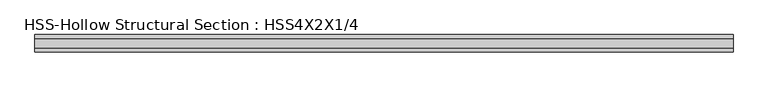
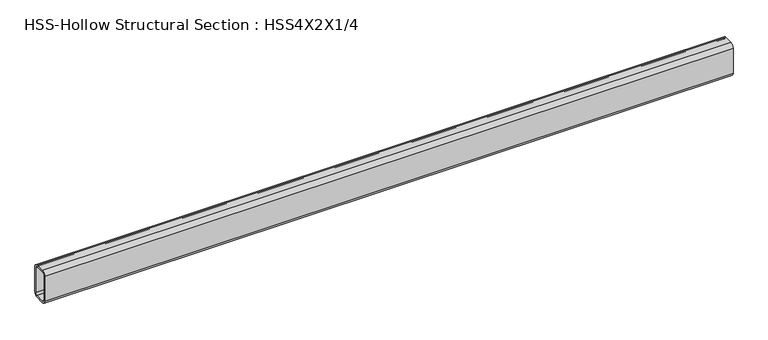
"""IFC4 building model written with IfcOpenShell, lengths in millimetres: beam geometry, HSS-Hollow Structural Section : HSS4X2X1/4."""

import ifcopenshell
import ifcopenshell.guid

model = None  # the IFC model being written
_history = None  # IfcOwnerHistory: only IFC2X3 demands one
_inside = {}  # id of a spatial element -> (the spatial element, [elements in it])
_under = {}  # id of a project, library or spatial element -> (it, [spatial elements below it])
_declared = {}  # id of a project -> (the project, [libraries it declares])
_typed = {}  # id of a type object -> (the type object, [elements of that type])
_made_of = {}  # id of a material, layer set ... -> (it, [elements and type objects made of it])


def new_model(schema):
    """Start an empty IFC model of exactly this schema.

    Asked for "IFC4X3", IfcOpenShell would pick the latest addendum, in which some entities
    have other attributes; the version numbers below select the first issue.
    IFC2X3 requires an IfcOwnerHistory on every rooted entity: one is made here for all.
    """
    global model, _history
    if schema == "IFC4X3":
        model = ifcopenshell.file(schema_version=(4, 3, 0, 0))
    else:
        model = ifcopenshell.file(schema=schema)
    _inside.clear()
    _under.clear()
    _declared.clear()
    _typed.clear()
    _made_of.clear()
    _history = None
    if model.schema == "IFC2X3":
        org = make("IfcOrganization", Name="unknown")
        user = make(
            "IfcPersonAndOrganization",
            ThePerson=make("IfcPerson", FamilyName="unknown"),
            TheOrganization=org,
        )
        app = make(
            "IfcApplication",
            ApplicationDeveloper=org,
            Version="unknown",
            ApplicationFullName="unknown",
            ApplicationIdentifier="unknown",
        )
        _history = make(
            "IfcOwnerHistory",
            OwningUser=user,
            OwningApplication=app,
            ChangeAction="ADDED",
            CreationDate=0,
        )
    return model


def make(cls, **values):
    """One entity of the class cls with the attributes given. An attribute that is None is left unset."""
    return model.create_entity(
        cls, **{name: value for name, value in values.items() if value is not None}
    )


def rooted(cls, **values):
    """An entity with a GlobalId (a new one), such as an element, a storey or a relation."""
    return make(cls, GlobalId=ifcopenshell.guid.new(), OwnerHistory=_history, **values)


def si_unit(unit_type, name, prefix=None):
    """IfcSIUnit, for example si_unit("LENGTHUNIT", "METRE", prefix="MILLI")."""
    return make("IfcSIUnit", UnitType=unit_type, Prefix=prefix, Name=name)


def assignment(units):
    """IfcUnitAssignment: the units of a project."""
    return None if units is None else make("IfcUnitAssignment", Units=units)


def point(xyz):
    """IfcCartesianPoint."""
    return None if xyz is None else make("IfcCartesianPoint", Coordinates=xyz)


def direction(xyz):
    """IfcDirection."""
    return None if xyz is None else make("IfcDirection", DirectionRatios=xyz)


def frame(location, z_axis=None, x_axis=None):
    """IfcAxis2Placement3D, a coordinate frame: its origin and axes. An axis left out is left unset."""
    return make(
        "IfcAxis2Placement3D",
        Location=point(location),
        Axis=direction(z_axis),
        RefDirection=direction(x_axis),
    )


def frame_2d(location, x_axis=None):
    """IfcAxis2Placement2D, a coordinate frame in the plane: its origin and x axis."""
    return make(
        "IfcAxis2Placement2D", Location=point(location), RefDirection=direction(x_axis)
    )


def origin():
    """The frame at (0, 0, 0) with its axes left unset."""
    return frame((0.0, 0.0, 0.0))


def place(relative_to, where):
    """IfcLocalPlacement: puts the frame where relative to a parent placement (None: the world)."""
    return make(
        "IfcLocalPlacement", PlacementRelTo=relative_to, RelativePlacement=where
    )


def context(
    kind, dimensions, precision=None, world=None, true_north=None, identifier=None
):
    """IfcGeometricRepresentationContext, for example the 3D "Model" context."""
    return make(
        "IfcGeometricRepresentationContext",
        ContextIdentifier=identifier,
        ContextType=kind,
        CoordinateSpaceDimension=dimensions,
        Precision=precision,
        WorldCoordinateSystem=world,
        TrueNorth=true_north,
    )


def project(units=None, contexts=None):
    """IfcProject with its units and contexts."""
    return rooted(
        "IfcProject",
        Name="project",
        RepresentationContexts=contexts,
        UnitsInContext=assignment(units),
    )


def spatial(cls, under=None, at=None, **own):
    """A site, building, storey or space (cls), placed at a placement, below another one or the project."""
    s = rooted(cls, ObjectPlacement=at, **own)
    if under is not None:
        _under.setdefault(under.id(), (under, []))[1].append(s)
    return s


def polyline(points):
    """IfcPolyline through the points."""
    return make("IfcPolyline", Points=[point(p) for p in points])


def circle_curve(where, radius):
    """IfcCircle in the frame where."""
    return make("IfcCircle", Position=where, Radius=radius)


def trimmed(basis, trim1, trim2, sense, master):
    """IfcTrimmedCurve: the piece of a basis curve between two trims."""
    return make(
        "IfcTrimmedCurve",
        BasisCurve=basis,
        Trim1=trim1,
        Trim2=trim2,
        SenseAgreement=sense,
        MasterRepresentation=master,
    )


def segment(curve, same_sense, transition):
    """IfcCompositeCurveSegment."""
    return make(
        "IfcCompositeCurveSegment",
        Transition=transition,
        SameSense=same_sense,
        ParentCurve=curve,
    )


def composite_curve(segments, self_intersect=None):
    """IfcCompositeCurve: segments joined end to end."""
    return make("IfcCompositeCurve", Segments=segments, SelfIntersect=self_intersect)


def outline(outer, holes=None, kind="AREA"):
    """IfcArbitraryClosedProfileDef: a profile drawn as a closed curve; with holes, ...WithVoids."""
    if holes is None:
        return make("IfcArbitraryClosedProfileDef", ProfileType=kind, OuterCurve=outer)
    return make(
        "IfcArbitraryProfileDefWithVoids",
        ProfileType=kind,
        OuterCurve=outer,
        InnerCurves=holes,
    )


def extrude(swept, where, along, depth):
    """IfcExtrudedAreaSolid: the profile swept, set in the frame where, extruded along a direction by depth."""
    return make(
        "IfcExtrudedAreaSolid",
        SweptArea=swept,
        Position=where,
        ExtrudedDirection=direction(along),
        Depth=depth,
    )


def shape(context_of_items, identifier, shape_type, items):
    """IfcShapeRepresentation: the items that make up one representation, for example the "Body"."""
    return make(
        "IfcShapeRepresentation",
        ContextOfItems=context_of_items,
        RepresentationIdentifier=identifier,
        RepresentationType=shape_type,
        Items=items,
    )


def source(mapping_origin, context_of_items, identifier, shape_type, items):
    """IfcRepresentationMap: a shape defined once, which mapped items show again and again."""
    return make(
        "IfcRepresentationMap",
        MappingOrigin=mapping_origin,
        MappedRepresentation=shape(context_of_items, identifier, shape_type, items),
    )


def transform(
    local_origin,
    x_axis=None,
    y_axis=None,
    z_axis=None,
    scale=None,
    scale2=None,
    scale3=None,
    uniform=True,
):
    """IfcCartesianTransformationOperator3D, or its non-uniform kind. x_axis, y_axis, z_axis: its Axis1, 2, 3."""
    if uniform:
        return make(
            "IfcCartesianTransformationOperator3D",
            Axis1=direction(x_axis),
            Axis2=direction(y_axis),
            LocalOrigin=point(local_origin),
            Scale=scale,
            Axis3=direction(z_axis),
        )
    return make(
        "IfcCartesianTransformationOperator3DnonUniform",
        Axis1=direction(x_axis),
        Axis2=direction(y_axis),
        LocalOrigin=point(local_origin),
        Scale=scale,
        Axis3=direction(z_axis),
        Scale2=scale2,
        Scale3=scale3,
    )


def mapped(mapping_source, mapping_target):
    """IfcMappedItem: shows the shape of a source again, moved by a transform."""
    return make(
        "IfcMappedItem", MappingSource=mapping_source, MappingTarget=mapping_target
    )


def made_of(thing, what):
    """Note that an element or type object is made of a material, layer set ...; save() writes the relation."""
    if what is not None:
        _made_of.setdefault(what.id(), (what, []))[1].append(thing)
    return thing


def element(
    cls,
    number,
    at=None,
    inside=None,
    cuts=None,
    type_object=None,
    material=None,
    context=None,
    identifier="Body",
    shape_type=None,
    held_by="IfcProductDefinitionShape",
    body=None,
    shapes=None,
    **own,
):
    """One element of the class cls, such as IfcWall. Its Tag is "e" and its number.

    at: its placement. inside: the storey or other place that contains it. cuts: it is an
    opening in that element (IfcRelVoidsElement). A single representation is given by context,
    identifier, shape_type and body (its items); several are given by shapes. held_by: the class
    of the entity that holds the representations. save() writes the other relations.
    """
    e = rooted(cls, Tag="e%d" % number, ObjectPlacement=at, **own)
    if body is not None:
        shapes = [shape(context, identifier, shape_type, body)]
    if shapes is not None:
        e.Representation = make(held_by, Representations=shapes)
    if inside is not None:
        _inside.setdefault(inside.id(), (inside, []))[1].append(e)
    if cuts is not None:
        rooted(
            "IfcRelVoidsElement", RelatingBuildingElement=cuts, RelatedOpeningElement=e
        )
    if type_object is not None:
        _typed.setdefault(type_object.id(), (type_object, []))[1].append(e)
    return made_of(e, material)


def aggregate(whole, parts):
    """IfcRelAggregates: a whole, such as a stair, and the parts it consists of."""
    return rooted("IfcRelAggregates", RelatingObject=whole, RelatedObjects=parts)


def save(model, path):
    """Write the relations noted so far, then the file.

    IfcRelAggregates (storeys below a building ...), IfcRelContainedInSpatialStructure (elements
    in a storey), IfcRelDefinesByType, IfcRelAssociatesMaterial and IfcRelDeclares: one each for
    every whole, place, type object, material and project.
    """
    for whole, parts in _under.values():
        aggregate(whole, parts)
    for where, things in _inside.values():
        rooted(
            "IfcRelContainedInSpatialStructure",
            RelatedElements=things,
            RelatingStructure=where,
        )
    for kind, things in _typed.values():
        rooted("IfcRelDefinesByType", RelatedObjects=things, RelatingType=kind)
    for what, things in _made_of.values():
        rooted("IfcRelAssociatesMaterial", RelatedObjects=things, RelatingMaterial=what)
    for by, libraries in _declared.values():
        rooted("IfcRelDeclares", RelatingContext=by, RelatedDefinitions=libraries)
    model.write(path)


def hss_hollow_structural_section_hss4x2x1_4_fab6541e(model_context):
    return source(origin(), model_context, "Body", "SweptSolid", [
        extrude(outline(composite_curve([segment(polyline([(25.4, 38.9636), (25.4, -38.9636)]), True, "CONTINUOUS"), segment(trimmed(circle_curve(frame_2d((13.5636, -38.9636)), 11.8364), [point((25.4, -38.9636))], [point((13.5636, -50.8))], False, "CARTESIAN"), True, "CONTINUOUS"), segment(polyline([(13.5636, -50.8), (-13.5636, -50.8)]), True, "CONTINUOUS"), segment(trimmed(circle_curve(frame_2d((-13.5636, -38.9636)), 11.8364), [point((-13.5636, -50.8))], [point((-25.4, -38.9636))], False, "CARTESIAN"), True, "CONTINUOUS"), segment(polyline([(-25.4, -38.9636), (-25.4, 38.9636)]), True, "CONTINUOUS"), segment(trimmed(circle_curve(frame_2d((-13.5636, 38.9636)), 11.8364), [point((-25.4, 38.9636))], [point((-13.5636, 50.8))], False, "CARTESIAN"), True, "CONTINUOUS"), segment(polyline([(-13.5636, 50.8), (13.5636, 50.8)]), True, "CONTINUOUS"), segment(trimmed(circle_curve(frame_2d((13.5636, 38.9636)), 11.8364), [point((13.5636, 50.8))], [point((25.4, 38.9636))], False, "CARTESIAN"), True, "CONTINUOUS")], self_intersect=False), holes=[composite_curve([segment(trimmed(circle_curve(frame_2d((-13.5636, 38.9636)), 5.9182), [point((-13.5636, 44.8818))], [point((-19.4818, 38.9636))], True, "CARTESIAN"), True, "CONTINUOUS"), segment(polyline([(-19.4818, 38.9636), (-19.4818, -38.9636)]), True, "CONTINUOUS"), segment(trimmed(circle_curve(frame_2d((-13.5636, -38.9636)), 5.9182), [point((-19.4818, -38.9636))], [point((-13.5636, -44.8818))], True, "CARTESIAN"), True, "CONTINUOUS"), segment(polyline([(-13.5636, -44.8818), (13.5636, -44.8818)]), True, "CONTINUOUS"), segment(trimmed(circle_curve(frame_2d((13.5636, -38.9636)), 5.9182), [point((13.5636, -44.8818))], [point((19.4818, -38.9636))], True, "CARTESIAN"), True, "CONTINUOUS"), segment(polyline([(19.4818, -38.9636), (19.4818, 38.9636)]), True, "CONTINUOUS"), segment(trimmed(circle_curve(frame_2d((13.5636, 38.9636)), 5.9182), [point((19.4818, 38.9636))], [point((13.5636, 44.8818))], True, "CARTESIAN"), True, "CONTINUOUS"), segment(polyline([(13.5636, 44.8818), (-13.5636, 44.8818)]), True, "CONTINUOUS")], self_intersect=False)]), frame((-1026.0331524, 0.0, 0.0), z_axis=(1.0, 0.0, 0.0), x_axis=(0.0, 1.0, 0.0)), (0.0, 0.0, 1.0), 2052.0663048),
    ])


if __name__ == "__main__":
    model = new_model("IFC4")
    model_context = context("Model", 3, world=origin())
    ifc_project = project(units=[si_unit("LENGTHUNIT", "METRE", prefix="MILLI")], contexts=[model_context])
    site = spatial("IfcSite", under=ifc_project)
    building = spatial("IfcBuilding", under=site)
    placement = place(None, origin())
    hss_hollow_structural_section_hss4x2x1_4_shape = hss_hollow_structural_section_hss4x2x1_4_fab6541e(model_context)
    element("IfcBeam", 1, ObjectType="HSS-Hollow Structural Section : HSS4X2X1/4", at=placement, inside=building, context=model_context, shape_type="MappedRepresentation", body=[
        mapped(hss_hollow_structural_section_hss4x2x1_4_shape, transform((0.0, 0.0, 0.0), x_axis=(1.0, 0.0, 0.0), y_axis=(0.0, 1.0, 0.0), z_axis=(0.0, 0.0, 1.0))),
    ])
    save(model, "model.ifc")
